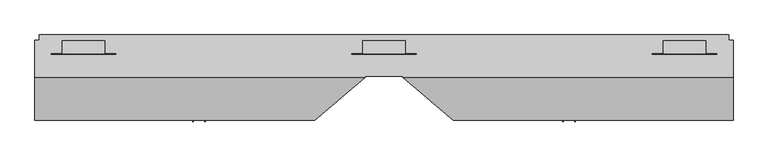
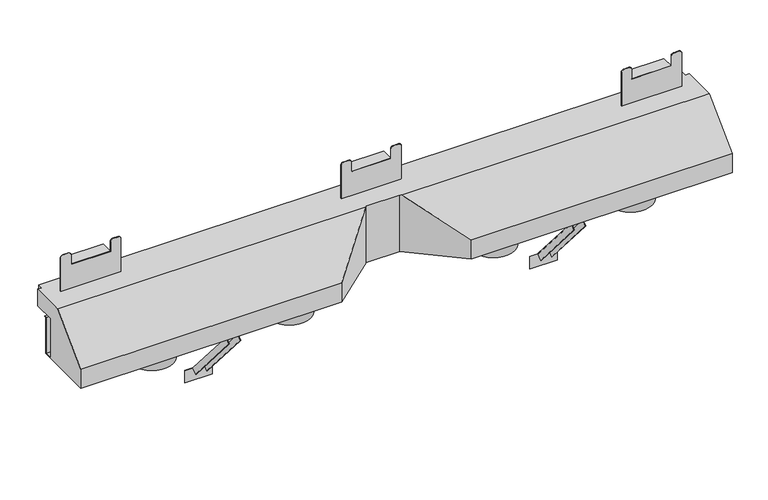
"""IFC4 building model written with IfcOpenShell, lengths in millimetres: proxy geometry."""

import ifcopenshell
import ifcopenshell.guid

model = None  # the IFC model being written
_history = None  # IfcOwnerHistory: only IFC2X3 demands one
_inside = {}  # id of a spatial element -> (the spatial element, [elements in it])
_under = {}  # id of a project, library or spatial element -> (it, [spatial elements below it])
_declared = {}  # id of a project -> (the project, [libraries it declares])
_typed = {}  # id of a type object -> (the type object, [elements of that type])
_made_of = {}  # id of a material, layer set ... -> (it, [elements and type objects made of it])


def new_model(schema):
    """Start an empty IFC model of exactly this schema.

    Asked for "IFC4X3", IfcOpenShell would pick the latest addendum, in which some entities
    have other attributes; the version numbers below select the first issue.
    IFC2X3 requires an IfcOwnerHistory on every rooted entity: one is made here for all.
    """
    global model, _history
    if schema == "IFC4X3":
        model = ifcopenshell.file(schema_version=(4, 3, 0, 0))
    else:
        model = ifcopenshell.file(schema=schema)
    _inside.clear()
    _under.clear()
    _declared.clear()
    _typed.clear()
    _made_of.clear()
    _history = None
    if model.schema == "IFC2X3":
        org = make("IfcOrganization", Name="unknown")
        user = make(
            "IfcPersonAndOrganization",
            ThePerson=make("IfcPerson", FamilyName="unknown"),
            TheOrganization=org,
        )
        app = make(
            "IfcApplication",
            ApplicationDeveloper=org,
            Version="unknown",
            ApplicationFullName="unknown",
            ApplicationIdentifier="unknown",
        )
        _history = make(
            "IfcOwnerHistory",
            OwningUser=user,
            OwningApplication=app,
            ChangeAction="ADDED",
            CreationDate=0,
        )
    return model


def make(cls, **values):
    """One entity of the class cls with the attributes given. An attribute that is None is left unset."""
    return model.create_entity(
        cls, **{name: value for name, value in values.items() if value is not None}
    )


def rooted(cls, **values):
    """An entity with a GlobalId (a new one), such as an element, a storey or a relation."""
    return make(cls, GlobalId=ifcopenshell.guid.new(), OwnerHistory=_history, **values)


def si_unit(unit_type, name, prefix=None):
    """IfcSIUnit, for example si_unit("LENGTHUNIT", "METRE", prefix="MILLI")."""
    return make("IfcSIUnit", UnitType=unit_type, Prefix=prefix, Name=name)


def assignment(units):
    """IfcUnitAssignment: the units of a project."""
    return None if units is None else make("IfcUnitAssignment", Units=units)


def point(xyz):
    """IfcCartesianPoint."""
    return None if xyz is None else make("IfcCartesianPoint", Coordinates=xyz)


def direction(xyz):
    """IfcDirection."""
    return None if xyz is None else make("IfcDirection", DirectionRatios=xyz)


def frame(location, z_axis=None, x_axis=None):
    """IfcAxis2Placement3D, a coordinate frame: its origin and axes. An axis left out is left unset."""
    return make(
        "IfcAxis2Placement3D",
        Location=point(location),
        Axis=direction(z_axis),
        RefDirection=direction(x_axis),
    )


def frame_2d(location, x_axis=None):
    """IfcAxis2Placement2D, a coordinate frame in the plane: its origin and x axis."""
    return make(
        "IfcAxis2Placement2D", Location=point(location), RefDirection=direction(x_axis)
    )


def origin():
    """The frame at (0, 0, 0) with its axes left unset."""
    return frame((0.0, 0.0, 0.0))


def place(relative_to, where):
    """IfcLocalPlacement: puts the frame where relative to a parent placement (None: the world)."""
    return make(
        "IfcLocalPlacement", PlacementRelTo=relative_to, RelativePlacement=where
    )


def context(
    kind, dimensions, precision=None, world=None, true_north=None, identifier=None
):
    """IfcGeometricRepresentationContext, for example the 3D "Model" context."""
    return make(
        "IfcGeometricRepresentationContext",
        ContextIdentifier=identifier,
        ContextType=kind,
        CoordinateSpaceDimension=dimensions,
        Precision=precision,
        WorldCoordinateSystem=world,
        TrueNorth=true_north,
    )


def project(units=None, contexts=None):
    """IfcProject with its units and contexts."""
    return rooted(
        "IfcProject",
        Name="project",
        RepresentationContexts=contexts,
        UnitsInContext=assignment(units),
    )


def spatial(cls, under=None, at=None, **own):
    """A site, building, storey or space (cls), placed at a placement, below another one or the project."""
    s = rooted(cls, ObjectPlacement=at, **own)
    if under is not None:
        _under.setdefault(under.id(), (under, []))[1].append(s)
    return s


def polyline(points):
    """IfcPolyline through the points."""
    return make("IfcPolyline", Points=[point(p) for p in points])


def circle_curve(where, radius):
    """IfcCircle in the frame where."""
    return make("IfcCircle", Position=where, Radius=radius)


def trimmed(basis, trim1, trim2, sense, master):
    """IfcTrimmedCurve: the piece of a basis curve between two trims."""
    return make(
        "IfcTrimmedCurve",
        BasisCurve=basis,
        Trim1=trim1,
        Trim2=trim2,
        SenseAgreement=sense,
        MasterRepresentation=master,
    )


def segment(curve, same_sense, transition):
    """IfcCompositeCurveSegment."""
    return make(
        "IfcCompositeCurveSegment",
        Transition=transition,
        SameSense=same_sense,
        ParentCurve=curve,
    )


def composite_curve(segments, self_intersect=None):
    """IfcCompositeCurve: segments joined end to end."""
    return make("IfcCompositeCurve", Segments=segments, SelfIntersect=self_intersect)


def outline(outer, holes=None, kind="AREA"):
    """IfcArbitraryClosedProfileDef: a profile drawn as a closed curve; with holes, ...WithVoids."""
    if holes is None:
        return make("IfcArbitraryClosedProfileDef", ProfileType=kind, OuterCurve=outer)
    return make(
        "IfcArbitraryProfileDefWithVoids",
        ProfileType=kind,
        OuterCurve=outer,
        InnerCurves=holes,
    )


def extrude(swept, where, along, depth):
    """IfcExtrudedAreaSolid: the profile swept, set in the frame where, extruded along a direction by depth."""
    return make(
        "IfcExtrudedAreaSolid",
        SweptArea=swept,
        Position=where,
        ExtrudedDirection=direction(along),
        Depth=depth,
    )


def faces_of(points, faces, orient=None, outer=None):
    """IfcFace entities. A face is a list of loops; a loop is a list of indices into points, from 0.

    orient and outer hold one flag for each loop. By default every Orientation is true, the
    first loop of a face is its IfcFaceOuterBound and the others are IfcFaceBound.
    """
    made = []
    for i, loops in enumerate(faces):
        bounds = []
        for j, loop in enumerate(loops):
            is_outer = j == 0 if outer is None else outer[i][j]
            bounds.append(
                make(
                    "IfcFaceOuterBound" if is_outer else "IfcFaceBound",
                    Bound=make("IfcPolyLoop", Polygon=[points[k] for k in loop]),
                    Orientation=True if orient is None else orient[i][j],
                )
            )
        made.append(make("IfcFace", Bounds=bounds))
    return made


def faceted_brep(points, faces, orient=None, outer=None, voids=None):
    """IfcFacetedBrep: a solid bounded by flat faces; with voids (closed shells), ...WithVoids."""
    shared = [point(p) for p in points]
    hull = make("IfcClosedShell", CfsFaces=faces_of(shared, faces, orient, outer))
    if voids is None:
        return make("IfcFacetedBrep", Outer=hull)
    return make(
        "IfcFacetedBrepWithVoids",
        Outer=hull,
        Voids=[
            make(cls, CfsFaces=faces_of(shared, fs, o, b)) for cls, fs, o, b in voids
        ],
    )


def shape(context_of_items, identifier, shape_type, items):
    """IfcShapeRepresentation: the items that make up one representation, for example the "Body"."""
    return make(
        "IfcShapeRepresentation",
        ContextOfItems=context_of_items,
        RepresentationIdentifier=identifier,
        RepresentationType=shape_type,
        Items=items,
    )


def source(mapping_origin, context_of_items, identifier, shape_type, items):
    """IfcRepresentationMap: a shape defined once, which mapped items show again and again."""
    return make(
        "IfcRepresentationMap",
        MappingOrigin=mapping_origin,
        MappedRepresentation=shape(context_of_items, identifier, shape_type, items),
    )


def transform(
    local_origin,
    x_axis=None,
    y_axis=None,
    z_axis=None,
    scale=None,
    scale2=None,
    scale3=None,
    uniform=True,
):
    """IfcCartesianTransformationOperator3D, or its non-uniform kind. x_axis, y_axis, z_axis: its Axis1, 2, 3."""
    if uniform:
        return make(
            "IfcCartesianTransformationOperator3D",
            Axis1=direction(x_axis),
            Axis2=direction(y_axis),
            LocalOrigin=point(local_origin),
            Scale=scale,
            Axis3=direction(z_axis),
        )
    return make(
        "IfcCartesianTransformationOperator3DnonUniform",
        Axis1=direction(x_axis),
        Axis2=direction(y_axis),
        LocalOrigin=point(local_origin),
        Scale=scale,
        Axis3=direction(z_axis),
        Scale2=scale2,
        Scale3=scale3,
    )


def mapped(mapping_source, mapping_target):
    """IfcMappedItem: shows the shape of a source again, moved by a transform."""
    return make(
        "IfcMappedItem", MappingSource=mapping_source, MappingTarget=mapping_target
    )


def made_of(thing, what):
    """Note that an element or type object is made of a material, layer set ...; save() writes the relation."""
    if what is not None:
        _made_of.setdefault(what.id(), (what, []))[1].append(thing)
    return thing


def element(
    cls,
    number,
    at=None,
    inside=None,
    cuts=None,
    type_object=None,
    material=None,
    context=None,
    identifier="Body",
    shape_type=None,
    held_by="IfcProductDefinitionShape",
    body=None,
    shapes=None,
    **own,
):
    """One element of the class cls, such as IfcWall. Its Tag is "e" and its number.

    at: its placement. inside: the storey or other place that contains it. cuts: it is an
    opening in that element (IfcRelVoidsElement). A single representation is given by context,
    identifier, shape_type and body (its items); several are given by shapes. held_by: the class
    of the entity that holds the representations. save() writes the other relations.
    """
    e = rooted(cls, Tag="e%d" % number, ObjectPlacement=at, **own)
    if body is not None:
        shapes = [shape(context, identifier, shape_type, body)]
    if shapes is not None:
        e.Representation = make(held_by, Representations=shapes)
    if inside is not None:
        _inside.setdefault(inside.id(), (inside, []))[1].append(e)
    if cuts is not None:
        rooted(
            "IfcRelVoidsElement", RelatingBuildingElement=cuts, RelatedOpeningElement=e
        )
    if type_object is not None:
        _typed.setdefault(type_object.id(), (type_object, []))[1].append(e)
    return made_of(e, material)


def aggregate(whole, parts):
    """IfcRelAggregates: a whole, such as a stair, and the parts it consists of."""
    return rooted("IfcRelAggregates", RelatingObject=whole, RelatedObjects=parts)


def save(model, path):
    """Write the relations noted so far, then the file.

    IfcRelAggregates (storeys below a building ...), IfcRelContainedInSpatialStructure (elements
    in a storey), IfcRelDefinesByType, IfcRelAssociatesMaterial and IfcRelDeclares: one each for
    every whole, place, type object, material and project.
    """
    for whole, parts in _under.values():
        aggregate(whole, parts)
    for where, things in _inside.values():
        rooted(
            "IfcRelContainedInSpatialStructure",
            RelatedElements=things,
            RelatingStructure=where,
        )
    for kind, things in _typed.values():
        rooted("IfcRelDefinesByType", RelatedObjects=things, RelatingType=kind)
    for what, things in _made_of.values():
        rooted("IfcRelAssociatesMaterial", RelatedObjects=things, RelatingMaterial=what)
    for by, libraries in _declared.values():
        rooted("IfcRelDeclares", RelatingContext=by, RelatedDefinitions=libraries)
    model.write(path)


def generic_models_c32321b3(model_context):
    return source(origin(), model_context, "Body", "SolidModel", [
        extrude(outline(polyline([(17.4625, 0.0), (-17.4625, 0.0), (-17.4625, 19.05), (-15.875, 19.05), (-15.875, 1.5875), (15.875, 1.5875), (15.875, 19.05), (17.4625, 19.05), (17.4625, 0.0)])), frame((509.8919758, 27.2278235, -198.7459399), z_axis=(0.0, -0.6518566334282185, 0.7583422244973764), x_axis=(-1.0, 0.0, 0.0)), (0.0, 0.0, 1.0), 262.7194472),
        extrude(outline(polyline([(17.4625, 0.0), (17.4625, -19.05), (15.875, -19.05), (15.875, -1.5875), (-15.875, -1.5875), (-15.875, -19.05), (-17.4625, -19.05), (-17.4625, 0.0), (17.4625, 0.0)])), frame((-509.8919758, 27.2278235, -198.7459399), z_axis=(0.0, -0.6518566334282185, 0.7583422244973764), x_axis=(1.0, 0.0, 0.0)), (0.0, 0.0, 1.0), 262.7194472),
        extrude(outline(polyline([(-550.5594141, 28.3300134), (-469.2245376, 28.3300134), (-469.2245376, 26.7425134), (-550.5594141, 26.7425134), (-550.5594141, 28.3300134)])), frame((0.0, 0.0, -237.8807623), z_axis=(0.0, 0.0, 1.0), x_axis=(1.0, 0.0, 0.0)), (0.0, 0.0, 1.0), 38.1),
        extrude(outline(polyline([(469.2245376, 28.3300134), (550.5594141, 28.3300134), (550.5594141, 26.7425134), (469.2245376, 26.7425134), (469.2245376, 28.3300134)])), frame((0.0, 0.0, -237.8807623), z_axis=(0.0, 0.0, 1.0), x_axis=(1.0, 0.0, 0.0)), (0.0, 0.0, 1.0), 38.1),
        extrude(outline(polyline([(-887.1641833, 64.8425134), (-770.3867282, 64.8425134), (-770.3867282, 28.3300134), (-887.1641833, 28.3300134), (-887.1641833, 64.8425134)])), frame((0.0, 0.0, 88.3618152), z_axis=(0.0, 0.0, 1.0), x_axis=(1.0, 0.0, 0.0)), (0.0, 0.0, 1.0), 1.5875),
        extrude(outline(polyline([(770.4048334, 64.8425134), (887.1641833, 64.8425134), (887.1641833, 28.3300134), (770.4048334, 28.3300134), (770.4048334, 64.8425134)])), frame((0.0, 0.0, 88.3618152), z_axis=(0.0, 0.0, 1.0), x_axis=(1.0, 0.0, 0.0)), (0.0, 0.0, 1.0), 1.5875),
        extrude(outline(polyline([(-58.4444035, 64.8425134), (58.3149464, 64.8425134), (58.3149464, 28.3300134), (-58.4444035, 28.3300134), (-58.4444035, 64.8425134)])), frame((0.0, 0.0, 88.3618152), z_axis=(0.0, 0.0, 1.0), x_axis=(1.0, 0.0, 0.0)), (0.0, 0.0, 1.0), 1.5875),
        extrude(outline(composite_curve([segment(polyline([(124.4049189, 917.6231441), (124.4049189, 739.9458725), (55.872257, 739.9458725)]), True, "CONTINUOUS"), segment(trimmed(circle_curve(frame_2d((55.872257, 747.5606127)), 7.6147402), [point((55.872257, 739.9458725))], [point((48.2575168, 747.5606127))], False, "CARTESIAN"), True, "CONTINUOUS"), segment(polyline([(48.2575168, 747.5606127), (48.2575168, 762.7900932)]), True, "CONTINUOUS"), segment(trimmed(circle_curve(frame_2d((55.872257, 762.7900932)), 7.6147402), [point((48.2575168, 762.7900932))], [point((55.872257, 770.4048334))], False, "CARTESIAN"), True, "CONTINUOUS"), segment(polyline([(55.872257, 770.4048334), (88.3618152, 770.4048334), (88.3618152, 887.1641833), (55.872257, 887.1641833)]), True, "CONTINUOUS"), segment(trimmed(circle_curve(frame_2d((55.872257, 894.7789235)), 7.6147402), [point((55.872257, 887.1641833))], [point((48.2575168, 894.7789235))], False, "CARTESIAN"), True, "CONTINUOUS"), segment(polyline([(48.2575168, 894.7789235), (48.2575168, 910.0084039)]), True, "CONTINUOUS"), segment(trimmed(circle_curve(frame_2d((55.872257, 910.0084039)), 7.6147402), [point((48.2575168, 910.0084039))], [point((55.872257, 917.6231441))], False, "CARTESIAN"), True, "CONTINUOUS"), segment(polyline([(55.872257, 917.6231441), (124.4049189, 917.6231441)]), True, "CONTINUOUS")], self_intersect=False)), frame((0.0, 66.4300134, 0.0), z_axis=(0.0, 1.0, 0.0), x_axis=(0.0, 0.0, 1.0)), (0.0, 0.0, 1.0), 1.5875),
        extrude(outline(composite_curve([segment(polyline([(124.4049189, 88.7739072), (124.4049189, -88.9033644), (55.872257, -88.9033644)]), True, "CONTINUOUS"), segment(trimmed(circle_curve(frame_2d((55.872257, -81.2886242)), 7.6147402), [point((55.872257, -88.9033644))], [point((48.2575168, -81.2886242))], False, "CARTESIAN"), True, "CONTINUOUS"), segment(polyline([(48.2575168, -81.2886242), (48.2575168, -66.0591437)]), True, "CONTINUOUS"), segment(trimmed(circle_curve(frame_2d((55.872257, -66.0591437)), 7.6147402), [point((48.2575168, -66.0591437))], [point((55.872257, -58.4444035))], False, "CARTESIAN"), True, "CONTINUOUS"), segment(polyline([(55.872257, -58.4444035), (88.3618152, -58.4444035), (88.3618152, 58.3149464), (55.872257, 58.3149464)]), True, "CONTINUOUS"), segment(trimmed(circle_curve(frame_2d((55.872257, 65.9296866)), 7.6147402), [point((55.872257, 58.3149464))], [point((48.2575168, 65.9296866))], False, "CARTESIAN"), True, "CONTINUOUS"), segment(polyline([(48.2575168, 65.9296866), (48.2575168, 81.159167)]), True, "CONTINUOUS"), segment(trimmed(circle_curve(frame_2d((55.872257, 81.159167)), 7.6147402), [point((48.2575168, 81.159167))], [point((55.872257, 88.7739072))], False, "CARTESIAN"), True, "CONTINUOUS"), segment(polyline([(55.872257, 88.7739072), (124.4049189, 88.7739072)]), True, "CONTINUOUS")], self_intersect=False)), frame((0.0, 66.4300134, 0.0), z_axis=(0.0, 1.0, 0.0), x_axis=(0.0, 0.0, 1.0)), (0.0, 0.0, 1.0), 1.5875),
        extrude(outline(composite_curve([segment(polyline([(124.4049189, -739.9458725), (124.4049189, -917.6231441), (55.872257, -917.6231441)]), True, "CONTINUOUS"), segment(trimmed(circle_curve(frame_2d((55.872257, -910.0084039)), 7.6147402), [point((55.872257, -917.6231441))], [point((48.2575168, -910.0084039))], False, "CARTESIAN"), True, "CONTINUOUS"), segment(polyline([(48.2575168, -910.0084039), (48.2575168, -894.7789235)]), True, "CONTINUOUS"), segment(trimmed(circle_curve(frame_2d((55.872257, -894.7789235)), 7.6147402), [point((48.2575168, -894.7789235))], [point((55.872257, -887.1641833))], False, "CARTESIAN"), True, "CONTINUOUS"), segment(polyline([(55.872257, -887.1641833), (88.3618152, -887.1641833), (88.3618152, -770.4048334), (55.872257, -770.4048334)]), True, "CONTINUOUS"), segment(trimmed(circle_curve(frame_2d((55.872257, -762.7900932)), 7.6147402), [point((55.872257, -770.4048334))], [point((48.2575168, -762.7900932))], False, "CARTESIAN"), True, "CONTINUOUS"), segment(polyline([(48.2575168, -762.7900932), (48.2575168, -747.5606127)]), True, "CONTINUOUS"), segment(trimmed(circle_curve(frame_2d((55.872257, -747.5606127)), 7.6147402), [point((48.2575168, -747.5606127))], [point((55.872257, -739.9458725))], False, "CARTESIAN"), True, "CONTINUOUS"), segment(polyline([(55.872257, -739.9458725), (124.4049189, -739.9458725)]), True, "CONTINUOUS")], self_intersect=False)), frame((0.0, 66.4300134, 0.0), z_axis=(0.0, 1.0, 0.0), x_axis=(0.0, 0.0, 1.0)), (0.0, 0.0, 1.0), 1.5875),
        extrude(outline(polyline([(-887.1641833, 64.8425134), (-770.4048334, 64.8425134), (-770.4048334, 28.3300134), (-887.1641833, 28.3300134), (-887.1641833, 64.8425134)])), frame((0.0, 0.0, 249.3217236), z_axis=(0.0, 0.0, 1.0), x_axis=(1.0, 0.0, 0.0)), (0.0, 0.0, 1.0), 1.5875),
        extrude(outline(polyline([(770.4048334, 64.8425134), (887.1641833, 64.8425134), (887.1641833, 28.3300134), (770.4048334, 28.3300134), (770.4048334, 64.8425134)])), frame((0.0, 0.0, 249.3217236), z_axis=(0.0, 0.0, 1.0), x_axis=(1.0, 0.0, 0.0)), (0.0, 0.0, 1.0), 1.5875),
        extrude(outline(polyline([(-58.3505464, 64.8425134), (58.4088035, 64.8425134), (58.4088035, 28.3300134), (-58.3505464, 28.3300134), (-58.3505464, 64.8425134)])), frame((0.0, 0.0, 249.3217236), z_axis=(0.0, 0.0, 1.0), x_axis=(1.0, 0.0, 0.0)), (0.0, 0.0, 1.0), 1.5875),
        extrude(outline(composite_curve([segment(polyline([(281.0889773, -917.6231441), (176.7924189, -917.6231441), (176.7924189, -739.9458725), (281.0889773, -739.9458725)]), True, "CONTINUOUS"), segment(trimmed(circle_curve(frame_2d((281.0889773, -747.5606127)), 7.6147402), [point((281.0889773, -739.9458725))], [point((288.7037175, -747.5606127))], False, "CARTESIAN"), True, "CONTINUOUS"), segment(polyline([(288.7037175, -747.5606127), (288.7037175, -762.7900932)]), True, "CONTINUOUS"), segment(trimmed(circle_curve(frame_2d((281.0889773, -762.7900932)), 7.6147402), [point((288.7037175, -762.7900932))], [point((281.0889773, -770.4048334))], False, "CARTESIAN"), True, "CONTINUOUS"), segment(polyline([(281.0889773, -770.4048334), (250.9092236, -770.4048334), (250.9092236, -887.1641833), (281.0889773, -887.1641833)]), True, "CONTINUOUS"), segment(trimmed(circle_curve(frame_2d((281.0889773, -894.7789235)), 7.6147402), [point((281.0889773, -887.1641833))], [point((288.7037175, -894.7789235))], False, "CARTESIAN"), True, "CONTINUOUS"), segment(polyline([(288.7037175, -894.7789235), (288.7037175, -910.0084039)]), True, "CONTINUOUS"), segment(trimmed(circle_curve(frame_2d((281.0889773, -910.0084039)), 7.6147402), [point((288.7037175, -910.0084039))], [point((281.0889773, -917.6231441))], False, "CARTESIAN"), True, "CONTINUOUS")], self_intersect=False)), frame((0.0, 26.7425134, 0.0), z_axis=(0.0, 1.0, 0.0), x_axis=(0.0, 0.0, 1.0)), (0.0, 0.0, 1.0), 1.5875),
        extrude(outline(composite_curve([segment(polyline([(281.0889773, 739.9458725), (176.7924189, 739.9458725), (176.7924189, 917.6231441), (281.0889773, 917.6231441)]), True, "CONTINUOUS"), segment(trimmed(circle_curve(frame_2d((281.0889773, 910.0084039)), 7.6147402), [point((281.0889773, 917.6231441))], [point((288.7037175, 910.0084039))], False, "CARTESIAN"), True, "CONTINUOUS"), segment(polyline([(288.7037175, 910.0084039), (288.7037175, 894.7789235)]), True, "CONTINUOUS"), segment(trimmed(circle_curve(frame_2d((281.0889773, 894.7789235)), 7.6147402), [point((288.7037175, 894.7789235))], [point((281.0889773, 887.1641833))], False, "CARTESIAN"), True, "CONTINUOUS"), segment(polyline([(281.0889773, 887.1641833), (250.9092236, 887.1641833), (250.9092236, 770.4048334), (281.0889773, 770.4048334)]), True, "CONTINUOUS"), segment(trimmed(circle_curve(frame_2d((281.0889773, 762.7900932)), 7.6147402), [point((281.0889773, 770.4048334))], [point((288.7037175, 762.7900932))], False, "CARTESIAN"), True, "CONTINUOUS"), segment(polyline([(288.7037175, 762.7900932), (288.7037175, 747.5606127)]), True, "CONTINUOUS"), segment(trimmed(circle_curve(frame_2d((281.0889773, 747.5606127)), 7.6147402), [point((288.7037175, 747.5606127))], [point((281.0889773, 739.9458725))], False, "CARTESIAN"), True, "CONTINUOUS")], self_intersect=False)), frame((0.0, 26.7425134, 0.0), z_axis=(0.0, 1.0, 0.0), x_axis=(0.0, 0.0, 1.0)), (0.0, 0.0, 1.0), 1.5875),
        extrude(outline(composite_curve([segment(polyline([(281.0889773, -88.8095072), (176.7924189, -88.8095072), (176.7924189, 88.8677644), (281.0889773, 88.8677644)]), True, "CONTINUOUS"), segment(trimmed(circle_curve(frame_2d((281.0889773, 81.2530242)), 7.6147402), [point((281.0889773, 88.8677644))], [point((288.7037175, 81.2530242))], False, "CARTESIAN"), True, "CONTINUOUS"), segment(polyline([(288.7037175, 81.2530242), (288.7037175, 66.0235437)]), True, "CONTINUOUS"), segment(trimmed(circle_curve(frame_2d((281.0889773, 66.0235437)), 7.6147402), [point((288.7037175, 66.0235437))], [point((281.0889773, 58.4088035))], False, "CARTESIAN"), True, "CONTINUOUS"), segment(polyline([(281.0889773, 58.4088035), (250.9092236, 58.4088035), (250.9092236, -58.3505464), (281.0889773, -58.3505464)]), True, "CONTINUOUS"), segment(trimmed(circle_curve(frame_2d((281.0889773, -65.9652866)), 7.6147402), [point((281.0889773, -58.3505464))], [point((288.7037175, -65.9652866))], False, "CARTESIAN"), True, "CONTINUOUS"), segment(polyline([(288.7037175, -65.9652866), (288.7037175, -81.194767)]), True, "CONTINUOUS"), segment(trimmed(circle_curve(frame_2d((281.0889773, -81.194767)), 7.6147402), [point((288.7037175, -81.194767))], [point((281.0889773, -88.8095072))], False, "CARTESIAN"), True, "CONTINUOUS")], self_intersect=False)), frame((0.0, 26.7425134, 0.0), z_axis=(0.0, 1.0, 0.0), x_axis=(0.0, 0.0, 1.0)), (0.0, 0.0, 1.0), 1.5875),
        extrude(outline(composite_curve([segment(trimmed(circle_curve(frame_2d((301.6783039, -74.9122761)), 63.5), [point((365.1783039, -74.9122761))], [point((238.1783039, -74.9122761))], False, "CARTESIAN"), True, "CONTINUOUS"), segment(trimmed(circle_curve(frame_2d((301.6783039, -74.9122761)), 63.5), [point((238.1783039, -74.9122761))], [point((365.1783039, -74.9122761))], False, "CARTESIAN"), True, "CONTINUOUS")], self_intersect=False)), frame((0.0, 0.0, -38.1), z_axis=(0.0, 0.0, 1.0), x_axis=(1.0, 0.0, 0.0)), (0.0, 0.0, 1.0), 38.1),
        extrude(outline(composite_curve([segment(trimmed(circle_curve(frame_2d((707.930941, -74.9122761)), 63.5), [point((771.430941, -74.9122761))], [point((644.430941, -74.9122761))], False, "CARTESIAN"), True, "CONTINUOUS"), segment(trimmed(circle_curve(frame_2d((707.930941, -74.9122761)), 63.5), [point((644.430941, -74.9122761))], [point((771.430941, -74.9122761))], False, "CARTESIAN"), True, "CONTINUOUS")], self_intersect=False)), frame((0.0, 0.0, -38.1), z_axis=(0.0, 0.0, 1.0), x_axis=(1.0, 0.0, 0.0)), (0.0, 0.0, 1.0), 38.1),
        extrude(outline(composite_curve([segment(trimmed(circle_curve(frame_2d((-300.8451385, -74.9122761)), 63.5), [point((-364.3451385, -74.9122761))], [point((-237.3451385, -74.9122761))], False, "CARTESIAN"), True, "CONTINUOUS"), segment(trimmed(circle_curve(frame_2d((-300.8451385, -74.9122761)), 63.5), [point((-237.3451385, -74.9122761))], [point((-364.3451385, -74.9122761))], False, "CARTESIAN"), True, "CONTINUOUS")], self_intersect=False)), frame((0.0, 0.0, -38.1), z_axis=(0.0, 0.0, 1.0), x_axis=(1.0, 0.0, 0.0)), (0.0, 0.0, 1.0), 38.1),
        extrude(outline(composite_curve([segment(trimmed(circle_curve(frame_2d((-707.0977757, -74.9122761)), 63.5), [point((-770.5977757, -74.9122761))], [point((-643.5977757, -74.9122761))], False, "CARTESIAN"), True, "CONTINUOUS"), segment(trimmed(circle_curve(frame_2d((-707.0977757, -74.9122761)), 63.5), [point((-643.5977757, -74.9122761))], [point((-770.5977757, -74.9122761))], False, "CARTESIAN"), True, "CONTINUOUS")], self_intersect=False)), frame((0.0, 0.0, -38.1), z_axis=(0.0, 0.0, 1.0), x_axis=(1.0, 0.0, 0.0)), (0.0, 0.0, 1.0), 38.1),
        faceted_brep([(-962.81875, 0.0, 124.4049189), (-962.81875, 0.0, 1.3890625), (-962.81875, 23.772945, 1.3890625), (-962.81875, 23.772945, 114.3), (-962.81875, 30.7112634, 114.3), (-962.81875, 30.7112634, 112.9179315), (-962.81875, 25.1550134, 112.9179315), (-962.81875, 25.1550134, 0.0), (-962.81875, -154.2324866, 0.0), (-962.81875, -154.2324866, 59.5223021), (-962.81875, -36.9623698, 176.7924189), (-962.81875, 65.3258562, 176.7924189), (-962.81875, 65.3258562, 124.4049189), (962.81875, -36.9623698, 176.7924189), (962.81875, -154.2324866, 59.5223021), (962.81875, -154.2324866, 0.0), (962.81875, 25.1550134, 0.0), (962.81875, 25.1550134, 112.9179315), (962.81875, 30.7112634, 112.9179315), (962.81875, 30.7112634, 114.3), (962.81875, 23.772945, 114.3), (962.81875, 23.772945, 1.3890625), (962.81875, 0.0, 1.3890625), (962.81875, 0.0, 124.4049189), (962.81875, 65.3258562, 124.4049189), (962.81875, 65.3258562, 176.7924189), (-951.0412851, 65.3258562, 124.4049189), (-951.0412851, 80.7175134, 124.4049189), (951.0412851, 80.7175134, 124.4049189), (951.0412851, 65.3258562, 124.4049189), (191.5781697, -154.2324866, 0.0), (49.6576265, -33.8751133, 0.0), (-49.6576265, -33.8751133, 0.0), (-191.5781697, -154.2324866, 0.0), (-191.5781697, -154.2324866, 59.5223021), (191.5781697, -154.2324866, 59.5223021), (-53.2979944, -36.9623698, 176.7924189), (53.2979944, -36.9623698, 176.7924189), (951.0412851, 65.3258562, 176.7924189), (951.0412851, 80.7175134, 176.7924189), (-951.0412851, 80.7175134, 176.7924189), (-951.0412851, 65.3258562, 176.7924189), (-49.6576265, -33.8751133, 176.7924189), (49.6576265, -33.8751133, 176.7924189)], [[[0, 1, 2, 3, 4, 5, 6, 7, 8, 9, 10, 11, 12]], [[13, 14, 15, 16, 17, 18, 19, 20, 21, 22, 23, 24, 25]], [[23, 0, 12, 26, 27, 28, 29, 24]], [[1, 0, 23, 22]], [[8, 7, 16, 15, 30, 31, 32, 33]], [[9, 8, 33, 34]], [[15, 14, 35, 30]], [[10, 9, 34, 36]], [[14, 13, 37, 35]], [[37, 13, 25, 38, 39, 40, 41, 11, 10, 36, 42, 43]], [[28, 27, 40, 39]], [[2, 1, 22, 21]], [[3, 2, 21, 20]], [[4, 3, 20, 19]], [[7, 6, 17, 16]], [[5, 4, 19, 18]], [[6, 5, 18, 17]], [[43, 31, 30, 35, 37]], [[31, 43, 42, 32]], [[32, 42, 36, 34, 33]], [[38, 29, 28, 39]], [[29, 38, 25, 24]], [[41, 26, 12, 11]], [[26, 41, 40, 27]]]),
    ])


if __name__ == "__main__":
    model = new_model("IFC4")
    model_context = context("Model", 3, world=origin())
    ifc_project = project(units=[si_unit("LENGTHUNIT", "METRE", prefix="MILLI")], contexts=[model_context])
    site = spatial("IfcSite", under=ifc_project)
    building = spatial("IfcBuilding", under=site)
    placement = place(None, origin())
    generic_models_shape = generic_models_c32321b3(model_context)
    element("IfcBuildingElementProxy", 1, Name="Generic Models", at=placement, inside=building, context=model_context, shape_type="MappedRepresentation", body=[
        mapped(generic_models_shape, transform((0.0, 0.0, 0.0), x_axis=(1.0, 0.0, 0.0), y_axis=(0.0, 1.0, 0.0), z_axis=(0.0, 0.0, 1.0))),
    ])
    save(model, "model.ifc")
